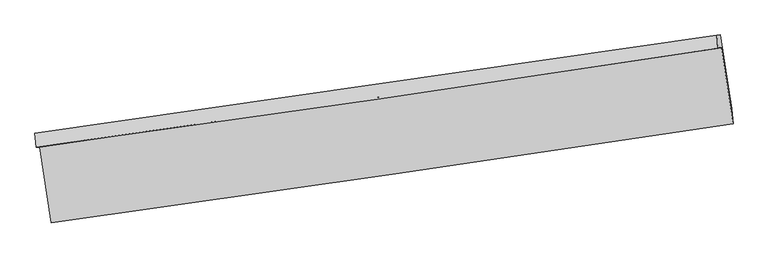
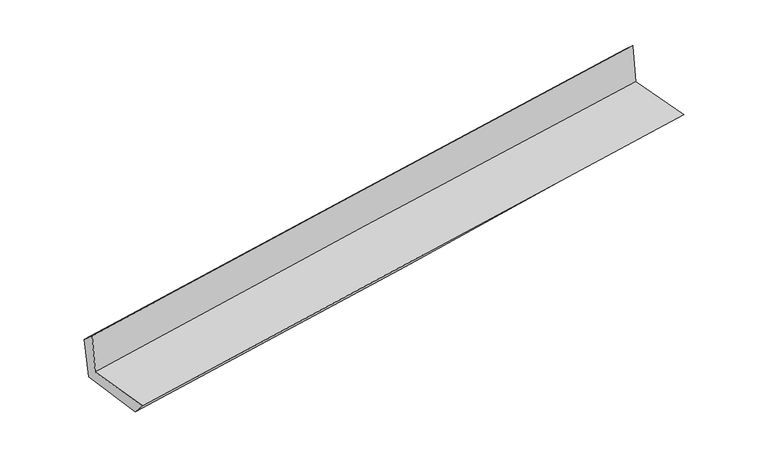
"""IFC4 building model written with IfcOpenShell, lengths in millimetres: proxy geometry."""

import ifcopenshell
import ifcopenshell.guid

model = None  # the IFC model being written
_history = None  # IfcOwnerHistory: only IFC2X3 demands one
_inside = {}  # id of a spatial element -> (the spatial element, [elements in it])
_under = {}  # id of a project, library or spatial element -> (it, [spatial elements below it])
_declared = {}  # id of a project -> (the project, [libraries it declares])
_typed = {}  # id of a type object -> (the type object, [elements of that type])
_made_of = {}  # id of a material, layer set ... -> (it, [elements and type objects made of it])


def new_model(schema):
    """Start an empty IFC model of exactly this schema.

    Asked for "IFC4X3", IfcOpenShell would pick the latest addendum, in which some entities
    have other attributes; the version numbers below select the first issue.
    IFC2X3 requires an IfcOwnerHistory on every rooted entity: one is made here for all.
    """
    global model, _history
    if schema == "IFC4X3":
        model = ifcopenshell.file(schema_version=(4, 3, 0, 0))
    else:
        model = ifcopenshell.file(schema=schema)
    _inside.clear()
    _under.clear()
    _declared.clear()
    _typed.clear()
    _made_of.clear()
    _history = None
    if model.schema == "IFC2X3":
        org = make("IfcOrganization", Name="unknown")
        user = make(
            "IfcPersonAndOrganization",
            ThePerson=make("IfcPerson", FamilyName="unknown"),
            TheOrganization=org,
        )
        app = make(
            "IfcApplication",
            ApplicationDeveloper=org,
            Version="unknown",
            ApplicationFullName="unknown",
            ApplicationIdentifier="unknown",
        )
        _history = make(
            "IfcOwnerHistory",
            OwningUser=user,
            OwningApplication=app,
            ChangeAction="ADDED",
            CreationDate=0,
        )
    return model


def make(cls, **values):
    """One entity of the class cls with the attributes given. An attribute that is None is left unset."""
    return model.create_entity(
        cls, **{name: value for name, value in values.items() if value is not None}
    )


def rooted(cls, **values):
    """An entity with a GlobalId (a new one), such as an element, a storey or a relation."""
    return make(cls, GlobalId=ifcopenshell.guid.new(), OwnerHistory=_history, **values)


def si_unit(unit_type, name, prefix=None):
    """IfcSIUnit, for example si_unit("LENGTHUNIT", "METRE", prefix="MILLI")."""
    return make("IfcSIUnit", UnitType=unit_type, Prefix=prefix, Name=name)


def assignment(units):
    """IfcUnitAssignment: the units of a project."""
    return None if units is None else make("IfcUnitAssignment", Units=units)


def point(xyz):
    """IfcCartesianPoint."""
    return None if xyz is None else make("IfcCartesianPoint", Coordinates=xyz)


def direction(xyz):
    """IfcDirection."""
    return None if xyz is None else make("IfcDirection", DirectionRatios=xyz)


def frame(location, z_axis=None, x_axis=None):
    """IfcAxis2Placement3D, a coordinate frame: its origin and axes. An axis left out is left unset."""
    return make(
        "IfcAxis2Placement3D",
        Location=point(location),
        Axis=direction(z_axis),
        RefDirection=direction(x_axis),
    )


def origin():
    """The frame at (0, 0, 0) with its axes left unset."""
    return frame((0.0, 0.0, 0.0))


def place(relative_to, where):
    """IfcLocalPlacement: puts the frame where relative to a parent placement (None: the world)."""
    return make(
        "IfcLocalPlacement", PlacementRelTo=relative_to, RelativePlacement=where
    )


def context(
    kind, dimensions, precision=None, world=None, true_north=None, identifier=None
):
    """IfcGeometricRepresentationContext, for example the 3D "Model" context."""
    return make(
        "IfcGeometricRepresentationContext",
        ContextIdentifier=identifier,
        ContextType=kind,
        CoordinateSpaceDimension=dimensions,
        Precision=precision,
        WorldCoordinateSystem=world,
        TrueNorth=true_north,
    )


def project(units=None, contexts=None):
    """IfcProject with its units and contexts."""
    return rooted(
        "IfcProject",
        Name="project",
        RepresentationContexts=contexts,
        UnitsInContext=assignment(units),
    )


def spatial(cls, under=None, at=None, **own):
    """A site, building, storey or space (cls), placed at a placement, below another one or the project."""
    s = rooted(cls, ObjectPlacement=at, **own)
    if under is not None:
        _under.setdefault(under.id(), (under, []))[1].append(s)
    return s


def shape(context_of_items, identifier, shape_type, items):
    """IfcShapeRepresentation: the items that make up one representation, for example the "Body"."""
    return make(
        "IfcShapeRepresentation",
        ContextOfItems=context_of_items,
        RepresentationIdentifier=identifier,
        RepresentationType=shape_type,
        Items=items,
    )


def source(mapping_origin, context_of_items, identifier, shape_type, items):
    """IfcRepresentationMap: a shape defined once, which mapped items show again and again."""
    return make(
        "IfcRepresentationMap",
        MappingOrigin=mapping_origin,
        MappedRepresentation=shape(context_of_items, identifier, shape_type, items),
    )


def transform(
    local_origin,
    x_axis=None,
    y_axis=None,
    z_axis=None,
    scale=None,
    scale2=None,
    scale3=None,
    uniform=True,
):
    """IfcCartesianTransformationOperator3D, or its non-uniform kind. x_axis, y_axis, z_axis: its Axis1, 2, 3."""
    if uniform:
        return make(
            "IfcCartesianTransformationOperator3D",
            Axis1=direction(x_axis),
            Axis2=direction(y_axis),
            LocalOrigin=point(local_origin),
            Scale=scale,
            Axis3=direction(z_axis),
        )
    return make(
        "IfcCartesianTransformationOperator3DnonUniform",
        Axis1=direction(x_axis),
        Axis2=direction(y_axis),
        LocalOrigin=point(local_origin),
        Scale=scale,
        Axis3=direction(z_axis),
        Scale2=scale2,
        Scale3=scale3,
    )


def mapped(mapping_source, mapping_target):
    """IfcMappedItem: shows the shape of a source again, moved by a transform."""
    return make(
        "IfcMappedItem", MappingSource=mapping_source, MappingTarget=mapping_target
    )


def made_of(thing, what):
    """Note that an element or type object is made of a material, layer set ...; save() writes the relation."""
    if what is not None:
        _made_of.setdefault(what.id(), (what, []))[1].append(thing)
    return thing


def element(
    cls,
    number,
    at=None,
    inside=None,
    cuts=None,
    type_object=None,
    material=None,
    context=None,
    identifier="Body",
    shape_type=None,
    held_by="IfcProductDefinitionShape",
    body=None,
    shapes=None,
    **own,
):
    """One element of the class cls, such as IfcWall. Its Tag is "e" and its number.

    at: its placement. inside: the storey or other place that contains it. cuts: it is an
    opening in that element (IfcRelVoidsElement). A single representation is given by context,
    identifier, shape_type and body (its items); several are given by shapes. held_by: the class
    of the entity that holds the representations. save() writes the other relations.
    """
    e = rooted(cls, Tag="e%d" % number, ObjectPlacement=at, **own)
    if body is not None:
        shapes = [shape(context, identifier, shape_type, body)]
    if shapes is not None:
        e.Representation = make(held_by, Representations=shapes)
    if inside is not None:
        _inside.setdefault(inside.id(), (inside, []))[1].append(e)
    if cuts is not None:
        rooted(
            "IfcRelVoidsElement", RelatingBuildingElement=cuts, RelatedOpeningElement=e
        )
    if type_object is not None:
        _typed.setdefault(type_object.id(), (type_object, []))[1].append(e)
    return made_of(e, material)


def aggregate(whole, parts):
    """IfcRelAggregates: a whole, such as a stair, and the parts it consists of."""
    return rooted("IfcRelAggregates", RelatingObject=whole, RelatedObjects=parts)


def save(model, path):
    """Write the relations noted so far, then the file.

    IfcRelAggregates (storeys below a building ...), IfcRelContainedInSpatialStructure (elements
    in a storey), IfcRelDefinesByType, IfcRelAssociatesMaterial and IfcRelDeclares: one each for
    every whole, place, type object, material and project.
    """
    for whole, parts in _under.values():
        aggregate(whole, parts)
    for where, things in _inside.values():
        rooted(
            "IfcRelContainedInSpatialStructure",
            RelatedElements=things,
            RelatingStructure=where,
        )
    for kind, things in _typed.values():
        rooted("IfcRelDefinesByType", RelatedObjects=things, RelatingType=kind)
    for what, things in _made_of.values():
        rooted("IfcRelAssociatesMaterial", RelatedObjects=things, RelatingMaterial=what)
    for by, libraries in _declared.values():
        rooted("IfcRelDeclares", RelatingContext=by, RelatedDefinitions=libraries)
    model.write(path)


def plane_surface(at):
    """IfcPlane: the flat surface through the origin of the frame at, square to its z axis."""
    return make("IfcPlane", Position=at)


def spline_curve(degree, points, multiplicities, knots, weights=None):
    """IfcBSplineCurveWithKnots; with weights, IfcRationalBSplineCurveWithKnots."""
    own = dict(
        Degree=degree,
        ControlPointsList=[point(p) for p in points],
        CurveForm="UNSPECIFIED",
        ClosedCurve=False,
        SelfIntersect=False,
        KnotMultiplicities=multiplicities,
        Knots=knots,
        KnotSpec="UNSPECIFIED",
    )
    if weights is None:
        return make("IfcBSplineCurveWithKnots", **own)
    return make("IfcRationalBSplineCurveWithKnots", WeightsData=weights, **own)


def spline_surface(u_degree, v_degree, points, u_multiplicities, v_multiplicities, u_knots, v_knots, weights=None):
    """IfcBSplineSurfaceWithKnots; with weights, IfcRationalBSplineSurfaceWithKnots. points: one row for each step in u."""
    own = dict(
        UDegree=u_degree,
        VDegree=v_degree,
        ControlPointsList=[[point(p) for p in row] for row in points],
        SurfaceForm="UNSPECIFIED",
        UClosed=False,
        VClosed=False,
        SelfIntersect=False,
        UMultiplicities=u_multiplicities,
        VMultiplicities=v_multiplicities,
        UKnots=u_knots,
        VKnots=v_knots,
        KnotSpec="UNSPECIFIED",
    )
    if weights is None:
        return make("IfcBSplineSurfaceWithKnots", **own)
    return make("IfcRationalBSplineSurfaceWithKnots", WeightsData=weights, **own)


def advanced_brep(points, edges, surfaces, faces):
    """IfcAdvancedBrep: a solid bounded by faces that lie on surfaces and meet in shared edges.

    An edge is (start, end): straight between two places in points (the first is 0);
    or (start, end, curve); or (start, end, curve, False) where it runs against its curve.
    A face is (place in surfaces, loops), or (place, loops, False) where it looks against
    its surface's normal. A loop lists edges by number (the first is 1), with a minus sign
    where the edge is run from its end to its start. The first loop is the outer one.
    """
    corners = [point(p) for p in points]
    vertices = [make("IfcVertexPoint", VertexGeometry=c) for c in corners]
    made = []
    for start, end, *more in edges:
        made.append(
            make(
                "IfcEdgeCurve",
                EdgeStart=vertices[start],
                EdgeEnd=vertices[end],
                EdgeGeometry=more[0] if more else make("IfcPolyline", Points=[corners[start], corners[end]]),
                SameSense=more[1] if len(more) > 1 else True,
            )
        )
    hull = []
    for where, loops, *sense in faces:
        bounds = []
        for j, loop in enumerate(loops):
            ring = [make("IfcOrientedEdge", EdgeElement=made[abs(k) - 1], Orientation=k > 0) for k in loop]
            bounds.append(
                make(
                    "IfcFaceOuterBound" if j == 0 else "IfcFaceBound",
                    Bound=make("IfcEdgeLoop", EdgeList=ring),
                    Orientation=True,
                )
            )
        hull.append(make("IfcAdvancedFace", Bounds=bounds, FaceSurface=surfaces[where], SameSense=sense[0] if sense else True))
    return make("IfcAdvancedBrep", Outer=make("IfcClosedShell", CfsFaces=hull))


def generic_models_107b7b97(model_context):
    return source(origin(), model_context, "Body", "AdvancedBrep", [
        advanced_brep(
        [(-2998.2228806, -1919.8923879, 1638.0415051), (-2898.2475915, -2578.6322992, 1640.2092662), (3046.8340472, -1715.5401056, 2139.5070359), (2947.3187686, -1054.4718941, 2127.5727003), (-3030.7141306, -1923.5188801, 2034.4906256), (2914.9968049, -1058.0794915, 2521.9562368), (-3040.7709909, -1798.9928606, 1927.9918798), (2906.0691731, -945.0365537, 2422.8564771), (-3004.7691065, -1815.0829482, 1525.3890338), (2936.4714211, -942.0479648, 2052.6351068), (-2905.9883488, -2454.9962298, 1507.545119), (3036.0888565, -1587.3813418, 2034.6400532)],
        [
            (0, 1),
            (1, 2, spline_curve(3, [(-2898.2475915, -2578.6322992, 1640.2092662), (-1906.909167904, -2442.617849198, 1731.795110231), (-915.815477395, -2302.686120513, 1819.196256257), (1065.878399936, -2014.988690432, 1985.628811775), (2056.478589493, -1867.223021794, 2064.660256041), (3046.8340472, -1715.5401056, 2139.5070359)], [4, 2, 4], [0.0, 9.888746289434653, 19.777452298703473])),
            (2, 3),
            (3, 0, spline_curve(3, [(2947.3187686, -1054.4718941, 2127.5727003), (1955.63109552, -1197.216831839, 2052.405203006), (964.32646353, -1340.707526645, 1974.02727773), (-1017.520756301, -1629.181018681, 1810.850238532), (-2008.063340267, -1774.163821594, 1726.051098868), (-2998.2228806, -1919.8923879, 1638.0415051)], [4, 2, 4], [0.0, 9.88870600926882, 19.777452298703473])),
            (4, 0),
            (3, 5),
            (5, 4, spline_curve(3, [(2914.9968049, -1058.0794915, 2521.9562368), (1924.387813429, -1209.411215197, 2449.510731647), (933.608415793, -1357.19688631, 2372.665936661), (-1048.295227879, -1645.676711428, 2210.177435403), (-2039.419475692, -1786.370836575, 2124.533693473), (-3030.7141306, -1923.5188801, 2034.4906256)], [4, 2, 4], [0.0, 9.88870156913513, 19.77744341841801])),
            (6, 4),
            (5, 7),
            (7, 6, spline_curve(3, [(2906.0691731, -945.0365537, 2422.8564771), (1915.004824711, -1088.6101553, 2341.721920262), (923.903646445, -1231.559838162, 2259.916010725), (-1058.376407898, -1516.211945781, 2094.961150716), (-2049.555284316, -1657.914365268, 2011.812194374), (-3040.7709909, -1798.9928606, 1927.9918798)], [4, 2, 4], [0.0, 9.888729360825318, 19.77749900191159])),
            (8, 6),
            (7, 9),
            (9, 8, spline_curve(3, [(2936.4714211, -942.0479648, 2052.6351068), (1947.206568353, -1088.569756416, 1955.288133283), (957.471773725, -1234.583420514, 1862.677553756), (-1022.941731376, -1525.595085781, 1686.928823901), (-2013.620446361, -1670.593082973, 1603.790712657), (-3004.7691065, -1815.0829482, 1525.3890338)], [4, 2, 4], [0.0, 9.888679719047346, 19.77739971815344])),
            (10, 8),
            (9, 11),
            (11, 10, spline_curve(3, [(3036.0888565, -1587.3813418, 2034.6400532), (2047.42258345, -1737.780802279, 1937.184951418), (1057.917356535, -1885.281632042, 1844.532902136), (-922.775038554, -2174.486618173, 1668.834551624), (-1913.962213334, -2316.190751167, 1585.788289376), (-2905.9883488, -2454.9962298, 1507.545119)], [4, 2, 4], [0.0, 9.888840582821311, 19.777721446356622])),
            (1, 10),
            (11, 2),
        ],
        [
            spline_surface(3, 3, [[(-2998.2228806, -1919.8923879, 1638.0415051), (-2008.063340305, -1774.163821586, 1726.05109891), (-1017.520756145, -1629.181018596, 1810.850238678), (964.326463374, -1340.707526729, 1974.027277584), (1955.631095617, -1197.216831803, 2052.405202895), (2947.3187686, -1054.4718941, 2127.5727003)], [(-2964.897784234, -2139.472358317, 1638.764092125), (-1974.345282803, -1996.981830807, 1727.965769391), (-983.618996598, -1853.682719193, 1813.632244516), (998.177108935, -1565.467914689, 1977.894455725), (1989.246926852, -1420.552228414, 2056.49022063), (2980.490528124, -1274.827964594, 2131.550812174)], [(-2931.572687866, -2359.052328783, 1639.486679175), (-1940.627225301, -2219.799840078, 1729.880439898), (-949.717237057, -2078.184419764, 1816.414250269), (1032.027754491, -1790.228302624, 1981.761633783), (2022.862758116, -1643.887625042, 2060.575238344), (3013.662287676, -1495.184035106, 2135.528924026)], [(-2898.2475915, -2578.6322992, 1640.2092662), (-1906.909167799, -2442.6178493, 1731.795110379), (-915.81547751, -2302.686120361, 1819.196256107), (1065.878400052, -2014.988690584, 1985.628811925), (2056.478589351, -1867.223021652, 2064.660256079), (3046.8340472, -1715.5401056, 2139.5070359)]], [4, 4], [4, 2, 4], [0.0, 2.236175327670297], [0.0, 9.888746289434653, 19.777452298703473]),
            spline_surface(3, 3, [[(-3030.7141306, -1923.5188801, 2034.4906256), (-2039.419475536, -1786.370836428, 2124.533693448), (-1048.295227931, -1645.676711417, 2210.177435415), (933.608415845, -1357.196886322, 2372.66593665), (1924.387813411, -1209.411215146, 2449.510731734), (2914.9968049, -1058.0794915, 2521.9562368)], [(-3019.883713908, -1922.310049368, 1902.340918766), (-2028.967430434, -1782.301831481, 1991.706161934), (-1038.037070655, -1640.178147133, 2077.068369817), (943.847765036, -1351.700433114, 2239.786383609), (1934.802240838, -1205.346420697, 2317.142222105), (2925.770792825, -1056.876959032, 2390.495057951)], [(-3009.053297292, -1921.101218632, 1770.191211934), (-2018.515385407, -1778.232826532, 1858.878630424), (-1027.778913422, -1634.67958288, 1943.959304276), (954.087114183, -1346.203979937, 2106.906830624), (1945.21666819, -1201.281626252, 2184.773712524), (2936.544780675, -1055.674426568, 2259.033879149)], [(-2998.2228806, -1919.8923879, 1638.0415051), (-2008.063340305, -1774.163821586, 1726.05109891), (-1017.520756145, -1629.181018596, 1810.850238678), (964.326463374, -1340.707526729, 1974.027277584), (1955.631095617, -1197.216831803, 2052.405202895), (2947.3187686, -1054.4718941, 2127.5727003)]], [4, 4], [4, 2, 4], [0.0, 1.3139946613799547], [0.0, 9.88874184928288, 19.77744341841801]),
            spline_surface(3, 3, [[(-3040.7709909, -1798.9928606, 1927.9918798), (-2049.555284153, -1657.914365133, 2011.812194285), (-1058.376407913, -1516.211945655, 2094.961150586), (923.90364646, -1231.559838287, 2259.916010855), (1915.004824874, -1088.610155435, 2341.721920377), (2906.0691731, -945.0365537, 2422.8564771)], [(-3037.418704143, -1840.501533773, 1963.491461727), (-2046.17668129, -1700.733188905, 2049.386027333), (-1055.01601461, -1559.366867599, 2133.366578857), (927.138569564, -1273.438854322, 2297.499319447), (1918.132487703, -1128.877175324, 2377.651524193), (2909.04505035, -982.717532952, 2455.889730363)], [(-3034.066417357, -1882.010206927, 1998.991043673), (-2042.798078399, -1743.552012656, 2086.9598604), (-1051.655621234, -1602.521789473, 2171.772007144), (930.373492742, -1315.317870287, 2335.082628057), (1921.260150582, -1169.144195257, 2413.581127918), (2912.02092765, -1020.398512248, 2488.922983537)], [(-3030.7141306, -1923.5188801, 2034.4906256), (-2039.419475536, -1786.370836428, 2124.533693448), (-1048.295227931, -1645.676711417, 2210.177435415), (933.608415845, -1357.196886322, 2372.66593665), (1924.387813411, -1209.411215146, 2449.510731734), (2914.9968049, -1058.0794915, 2521.9562368)]], [4, 4], [4, 2, 4], [0.0, 0.5621569213738077], [0.0, 9.888769641086272, 19.77749900191159]),
            spline_surface(3, 3, [[(-3004.7691065, -1815.0829482, 1525.3890338), (-2013.620446307, -1670.593082891, 1603.790712662), (-1022.941731511, -1525.595085797, 1686.928824035), (957.47177386, -1234.583420498, 1862.677553623), (1947.206568265, -1088.569756511, 1955.288133247), (2936.4714211, -942.0479648, 2052.6351068)], [(-3016.769734646, -1809.719585656, 1659.589982471), (-2025.598725602, -1666.366843627, 1739.797873208), (-1034.753290312, -1522.467372414, 1822.939599576), (946.282398059, -1233.575559759, 1995.090372724), (1936.472653796, -1088.58322285, 2084.099395598), (2926.337338428, -943.044161131, 2176.042230208)], [(-3028.770362754, -1804.356223144, 1793.790931129), (-2037.577004858, -1662.140604396, 1875.805033739), (-1046.564849111, -1519.339659038, 1958.950375045), (935.093022261, -1232.567699027, 2127.503191754), (1925.738739343, -1088.596689096, 2212.910658026), (2916.203255772, -944.040357369, 2299.449353692)], [(-3040.7709909, -1798.9928606, 1927.9918798), (-2049.555284153, -1657.914365133, 2011.812194285), (-1058.376407913, -1516.211945655, 2094.961150586), (923.90364646, -1231.559838287, 2259.916010855), (1915.004824874, -1088.610155435, 2341.721920377), (2906.0691731, -945.0365537, 2422.8564771)]], [4, 4], [4, 2, 4], [0.0, 1.3259793805850772], [0.0, 9.888719999106094, 19.77739971815344]),
            spline_surface(3, 3, [[(-2905.9883488, -2454.9962298, 1507.545119), (-1913.962213403, -2316.190751315, 1585.788289331), (-922.775038466, -2174.48661825, 1668.834551614), (1057.917356447, -1885.281631965, 1844.532902146), (2047.422583316, -1737.780802371, 1937.184951257), (3036.0888565, -1587.3813418, 2034.6400532)], [(-2938.91526804, -2241.691802619, 1513.493090596), (-1947.181624377, -2100.991528526, 1591.789097104), (-956.16393615, -1958.189440766, 1674.865975738), (1024.435495582, -1668.382228143, 1850.581119289), (2014.017244978, -1521.377120415, 1943.219345248), (3002.883044712, -1372.27021613, 2040.638404394)], [(-2971.84218726, -2028.387375381, 1519.441062204), (-1980.401035333, -1885.79230568, 1597.789904889), (-989.552833826, -1741.892263281, 1680.897399911), (990.953634725, -1451.48282432, 1856.62933648), (1980.611906603, -1304.973438468, 1949.253739256), (2969.677232888, -1157.15909047, 2046.636755606)], [(-3004.7691065, -1815.0829482, 1525.3890338), (-2013.620446307, -1670.593082891, 1603.790712662), (-1022.941731511, -1525.595085797, 1686.928824035), (957.47177386, -1234.583420498, 1862.677553623), (1947.206568265, -1088.569756511, 1955.288133247), (2936.4714211, -942.0479648, 2052.6351068)]], [4, 4], [4, 2, 4], [0.0, 2.157942374248478], [0.0, 9.888880863535311, 19.777721446356622]),
            spline_surface(3, 3, [[(-2898.2475915, -2578.6322992, 1640.2092662), (-1906.909167799, -2442.6178493, 1731.795110379), (-915.81547751, -2302.686120361, 1819.196256107), (1065.878400052, -2014.988690584, 1985.628811925), (2056.478589351, -1867.223021652, 2064.660256079), (3046.8340472, -1715.5401056, 2139.5070359)], [(-2900.82784393, -2537.420276067, 1595.987883815), (-1909.260182997, -2400.475483305, 1683.126170045), (-918.13533115, -2259.952952971, 1769.075687931), (1063.224718862, -1971.753004358, 1938.596841987), (2053.459920667, -1824.07561522, 2022.168487815), (3043.252316961, -1672.820517661, 2104.55137501)], [(-2903.40809637, -2496.208252933, 1551.766501385), (-1911.611198205, -2358.33311731, 1634.457229665), (-920.455184826, -2217.219785641, 1718.95511979), (1060.571037636, -1928.517318192, 1891.564872084), (2050.441252, -1780.928208804, 1979.676719521), (3039.670586739, -1630.100929739, 2069.59571409)], [(-2905.9883488, -2454.9962298, 1507.545119), (-1913.962213403, -2316.190751315, 1585.788289331), (-922.775038466, -2174.48661825, 1668.834551614), (1057.917356447, -1885.281631965, 1844.532902146), (2047.422583316, -1737.780802371, 1937.184951257), (3036.0888565, -1587.3813418, 2034.6400532)]], [4, 4], [4, 2, 4], [0.0, 0.6388924559771602], [0.0, 9.888753154189859, 19.77746602818592]),
            plane_surface(frame((2964.6298452, -1217.0928919, 2216.527935), z_axis=(0.9852989912261745, 0.14980657601014735, 0.0821211767621423), x_axis=(-0.0818409630707024, -0.008045095914707511, 0.9966129304777172))),
            plane_surface(frame((-2979.7855081, -2081.852601, 1712.2779049), z_axis=(-0.9852989912257313, -0.14980657601196942, -0.08212117676413605), x_axis=(-0.15004844333792935, 0.9886732925580091, -0.003253495715359181))),
        ],
        [
            (0, [[1, 2, 3, 4]]),
            (1, [[5, -4, 6, 7]]),
            (2, [[8, -7, 9, 10]]),
            (3, [[11, -10, 12, 13]]),
            (4, [[14, -13, 15, 16]]),
            (5, [[17, -16, 18, -2]]),
            (6, [[-12, -9, -6, -3, -18, -15]]),
            (7, [[-1, -5, -8, -11, -14, -17]]),
        ],
    ),
    ])


if __name__ == "__main__":
    model = new_model("IFC4")
    model_context = context("Model", 3, world=origin())
    ifc_project = project(units=[si_unit("LENGTHUNIT", "METRE", prefix="MILLI")], contexts=[model_context])
    site = spatial("IfcSite", under=ifc_project)
    building = spatial("IfcBuilding", under=site)
    placement = place(None, origin())
    generic_models_shape = generic_models_107b7b97(model_context)
    element("IfcBuildingElementProxy", 1, Name="Generic Models", at=placement, inside=building, context=model_context, shape_type="MappedRepresentation", body=[
        mapped(generic_models_shape, transform((0.0, 0.0, 0.0), x_axis=(1.0, 0.0, 0.0), y_axis=(0.0, 1.0, 0.0), z_axis=(0.0, 0.0, 1.0))),
    ])
    save(model, "model.ifc")
